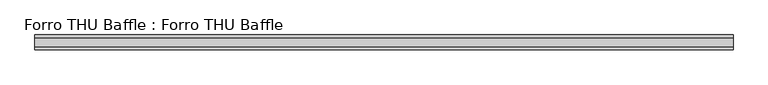
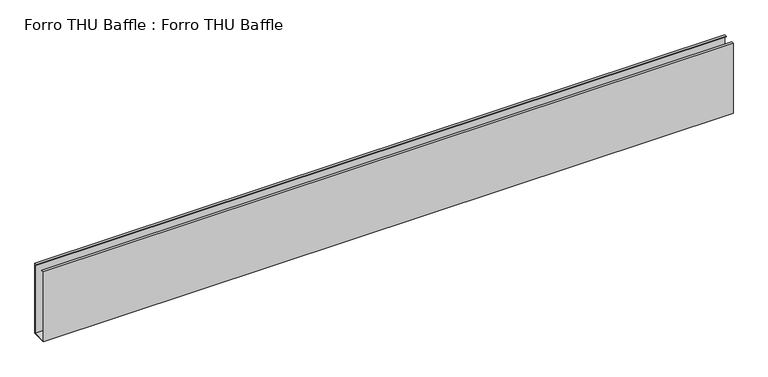
"""IFC4 building model written with IfcOpenShell, lengths in millimetres: proxy geometry, Forro THU Baffle : Forro THU Baffle."""

from ifc_helpers import new_model, si_unit, frame, origin, place, context, project, spatial, polyline, outline, extrude, source, transform, mapped, element, save


def forro_thu_baffle_forro_thu_baffle_0717d747(model_context):
    return source(origin(), model_context, "Body", "SweptSolid", [
        extrude(outline(polyline([(0.0, -150.0), (0.0, 0.0), (5.5, 0.0), (5.5, -0.8), (0.8, -0.8), (0.8, -149.2), (29.2, -149.2), (29.2, -0.8), (24.5, -0.8), (24.5, 0.0), (30.0, 0.0), (30.0, -150.0), (0.0, -150.0)])), frame((0.0, 0.0, 0.0), z_axis=(1.0, 0.0, 0.0), x_axis=(0.0, 1.0, 0.0)), (0.0, 0.0, 1.0), 1400.133927),
    ])


if __name__ == "__main__":
    model = new_model("IFC4")
    model_context = context("Model", 3, world=origin())
    ifc_project = project(units=[si_unit("LENGTHUNIT", "METRE", prefix="MILLI")], contexts=[model_context])
    site = spatial("IfcSite", under=ifc_project)
    building = spatial("IfcBuilding", under=site)
    placement = place(None, origin())
    forro_thu_baffle_forro_thu_baffle_shape = forro_thu_baffle_forro_thu_baffle_0717d747(model_context)
    element("IfcBuildingElementProxy", 1, Name="Forro THU Baffle : Forro THU Baffle", ObjectType="Forro THU Baffle : Forro THU Baffle", at=placement, inside=building, context=model_context, shape_type="MappedRepresentation", body=[
        mapped(forro_thu_baffle_forro_thu_baffle_shape, transform((0.0, 0.0, 0.0), x_axis=(1.0, 0.0, 0.0), y_axis=(0.0, 1.0, 0.0), z_axis=(0.0, 0.0, 1.0))),
    ])
    save(model, "model.ifc")
